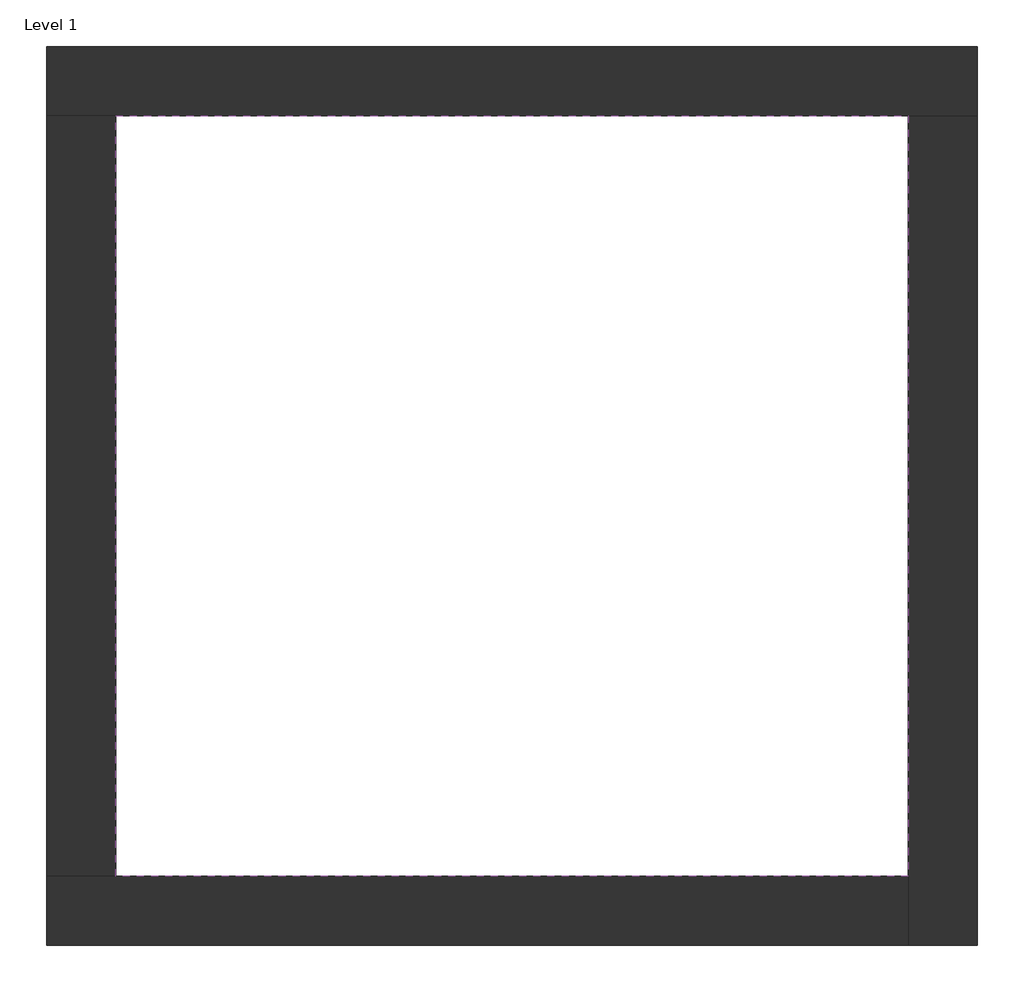
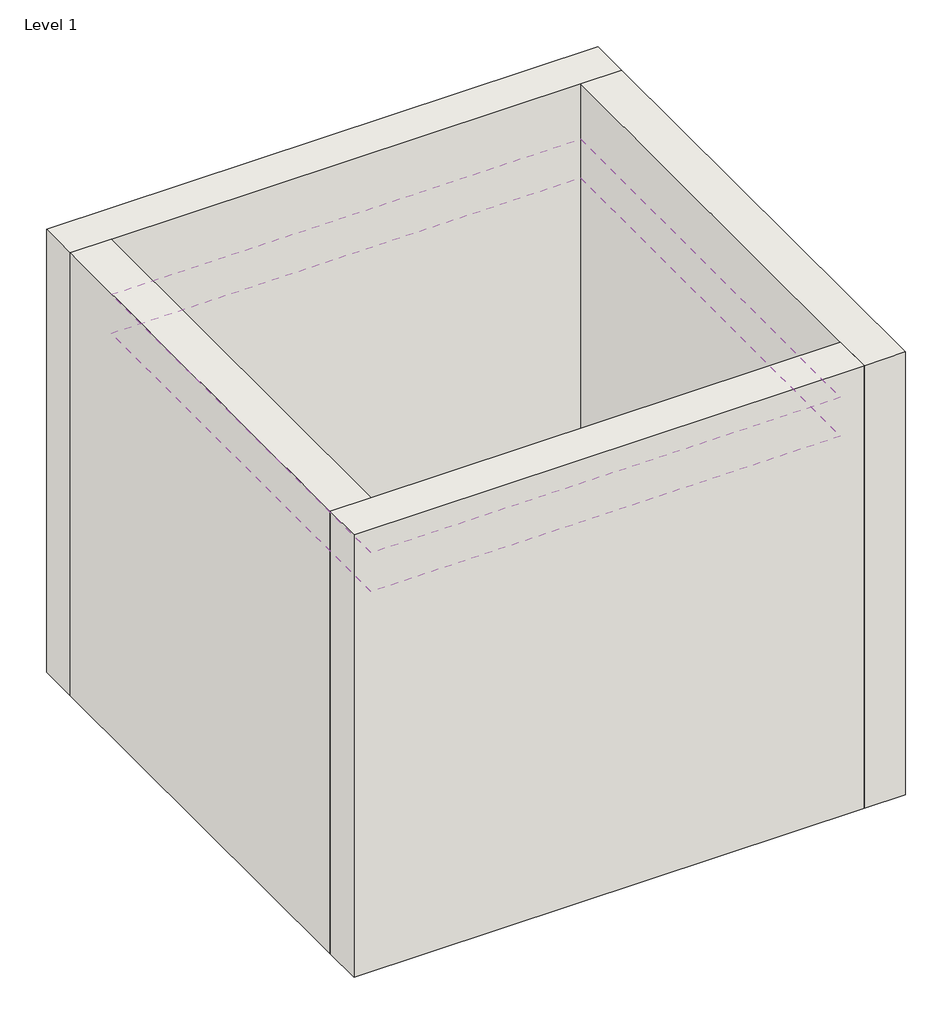
# One storey: 4 walls, 2 coverings.
"""IFC4 building model written with IfcOpenShell, lengths in millimetres."""

from ifc_helpers import new_model, si_unit, frame, origin, origin_with_axes, place, context, project, spatial, polyline, outline, extrude, faceted_brep, element, save

model = new_model("IFC4")

# Units and contexts
model_context = context("Model", 3, world=origin())
ifc_project = project(units=[si_unit("LENGTHUNIT", "METRE", prefix="MILLI")], contexts=[model_context])

# Site, building, storey
site = spatial("IfcSite", under=ifc_project)
building = spatial("IfcBuilding", under=site)
storey = spatial("IfcBuildingStorey", under=building, Name="Level 1", Elevation=0.0)

# Coverings
placement = place(None, origin())
element("IfcCovering", 1, at=placement, inside=storey, context=model_context, shape_type="SweptSolid", body=[
    extrude(outline(polyline([(-14894.8573003, 6921.2750283), (-10882.3573003, 6921.2750283), (-10882.3573003, 3071.2750283), (-14894.8573003, 3071.2750283), (-14894.8573003, 6921.2750283)])), frame((0.0, 0.0, 3500.0), z_axis=(0.0, 0.0, 1.0), x_axis=(1.0, 0.0, 0.0)), (0.0, 0.0, 1.0), 55.0),
])
element("IfcCovering", 2, at=placement, inside=storey, context=model_context, shape_type="SweptSolid", body=[
    extrude(outline(polyline([(-14894.8573003, 6921.2750283), (-10882.3573003, 6921.2750283), (-10882.3573003, 3071.2750283), (-14894.8573003, 3071.2750283), (-14894.8573003, 6921.2750283)])), frame((0.0, 0.0, 3150.0), z_axis=(0.0, 0.0, 1.0), x_axis=(1.0, 0.0, 0.0)), (0.0, 0.0, 1.0), 55.0),
])

# Walls
element("IfcWall", 3, ObjectType="Exterior - Brick on Mtl. Stud", at=placement, inside=storey, context=model_context, shape_type="Brep", body=[
    faceted_brep([(-15244.8573003, 6921.2750283, 0.0), (-14894.8573003, 6921.2750283, 0.0), (-10882.3573003, 6921.2750283, 0.0), (-10532.3573003, 6921.2750283, 0.0), (-10532.3573003, 6921.2750283, 4000.0), (-10882.3573003, 6921.2750283, 4000.0), (-14894.8573003, 6921.2750283, 4000.0), (-15244.8573003, 6921.2750283, 4000.0), (-15244.8573003, 7271.2750283, 0.0), (-15244.8573003, 7271.2750283, 4000.0), (-10532.3573003, 7271.2750283, 4000.0), (-10532.3573003, 7271.2750283, 0.0)], [[[0, 1, 2, 3, 4, 5, 6, 7]], [[8, 9, 10, 11]], [[3, 2, 1, 0, 8, 11]], [[7, 6, 5, 4, 10, 9]], [[0, 7, 9, 8]], [[4, 3, 11, 10]]]),
])
element("IfcWall", 4, ObjectType="Exterior - Brick on Mtl. Stud", at=placement, inside=storey, context=model_context, shape_type="Brep", body=[
    faceted_brep([(-10882.3573003, 6921.2750283, 0.0), (-10882.3573003, 3071.2750283, 0.0), (-10882.3573003, 2721.2750283, 0.0), (-10882.3573003, 2721.2750283, 4000.0), (-10882.3573003, 3071.2750283, 4000.0), (-10882.3573003, 6921.2750283, 4000.0), (-10532.3573003, 6921.2750283, 0.0), (-10532.3573003, 6921.2750283, 4000.0), (-10532.3573003, 2721.2750283, 4000.0), (-10532.3573003, 2721.2750283, 0.0)], [[[0, 1, 2, 3, 4, 5]], [[6, 7, 8, 9]], [[2, 1, 0, 6, 9]], [[5, 4, 3, 8, 7]], [[3, 2, 9, 8]], [[0, 5, 7, 6]]]),
])
element("IfcWall", 5, ObjectType="Exterior - Brick on Mtl. Stud", at=placement, inside=storey, context=model_context, shape_type="Brep", body=[
    faceted_brep([(-10882.3573003, 3071.2750283, 0.0), (-14894.8573003, 3071.2750283, 0.0), (-15244.8573003, 3071.2750283, 0.0), (-15244.8573003, 3071.2750283, 4000.0), (-14894.8573003, 3071.2750283, 4000.0), (-10882.3573003, 3071.2750283, 4000.0), (-10882.3573003, 2721.2750283, 0.0), (-10882.3573003, 2721.2750283, 4000.0), (-15244.8573003, 2721.2750283, 4000.0), (-15244.8573003, 2721.2750283, 0.0)], [[[0, 1, 2, 3, 4, 5]], [[6, 7, 8, 9]], [[2, 1, 0, 6, 9]], [[5, 4, 3, 8, 7]], [[3, 2, 9, 8]], [[0, 5, 7, 6]]]),
])
element("IfcWall", 6, ObjectType="Exterior - Brick on Mtl. Stud", at=placement, inside=storey, context=model_context, shape_type="SweptSolid", body=[
    extrude(outline(polyline([(-14894.8573003, 6921.2750283), (-14894.8573003, 3071.2750283), (-15244.8573003, 3071.2750283), (-15244.8573003, 6921.2750283), (-14894.8573003, 6921.2750283)])), origin_with_axes(), (0.0, 0.0, 1.0), 4000.0),
])

save(model, "model.ifc")
